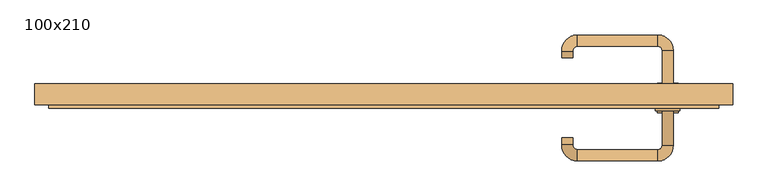
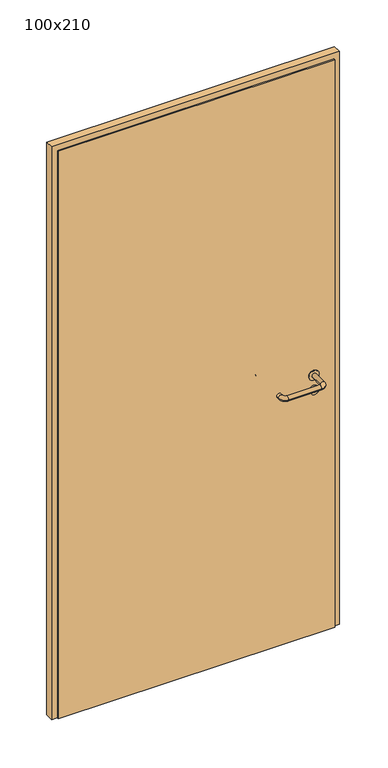
"""IFC4 building model written with IfcOpenShell, lengths in millimetres: door geometry, 100x210."""

from ifc_helpers import new_model, si_unit, point, frame, frame_2d, origin, origin_with_axes, place, context, project, spatial, polyline, circle_curve, ellipse_curve, trimmed, segment, composite_curve, outline, extrude, source, transform, mapped, element, save
from ifc_brep_helpers import plane_surface, cylinder_surface, revolved_surface, advanced_brep


def door_100x210_5816a896(model_context):
    return source(origin(), model_context, "Body", "SolidModel", [
        extrude(outline(composite_curve([segment(trimmed(circle_curve(frame_2d((897.3605726, 407.0)), 15.0), [point((897.3605726, 422.0))], [point((897.3605726, 392.0))], False, "CARTESIAN"), True, "CONTINUOUS"), segment(trimmed(circle_curve(frame_2d((897.3605726, 407.0)), 15.0), [point((897.3605726, 392.0))], [point((897.3605726, 422.0))], False, "CARTESIAN"), True, "CONTINUOUS")], self_intersect=False), holes=[composite_curve([segment(trimmed(circle_curve(frame_2d((892.5833211, 406.9398032)), 2.0), [point((892.5833211, 408.9398032))], [point((892.5833211, 404.9398032))], True, "CARTESIAN"), True, "CONTINUOUS"), segment(polyline([(892.5833211, 404.9398032), (902.5833211, 404.9398032)]), True, "CONTINUOUS"), segment(trimmed(circle_curve(frame_2d((902.5833211, 406.9398032)), 2.0), [point((902.5833211, 404.9398032))], [point((902.5833211, 408.9398032))], True, "CARTESIAN"), True, "CONTINUOUS"), segment(polyline([(902.5833211, 408.9398032), (892.5833211, 408.9398032)]), True, "CONTINUOUS")], self_intersect=False)]), frame((0.0, -16.35, 0.0), z_axis=(0.0, 1.0, 0.0), x_axis=(0.0, 0.0, 1.0)), (0.0, 0.0, 1.0), 6.35),
        extrude(outline(composite_curve([segment(trimmed(circle_curve(frame_2d((950.0, 407.0)), 17.526), [point((950.0, 424.526))], [point((950.0, 389.474))], False, "CARTESIAN"), True, "CONTINUOUS"), segment(trimmed(circle_curve(frame_2d((950.0, 407.0)), 17.526), [point((950.0, 389.474))], [point((950.0, 424.526))], False, "CARTESIAN"), True, "CONTINUOUS")], self_intersect=False)), frame((0.0, -13.175, 0.0), z_axis=(0.0, 1.0, 0.0), x_axis=(0.0, 0.0, 1.0)), (0.0, 0.0, 1.0), 3.175),
        advanced_brep(
        [(415.0, -10.0, 950.0), (399.0, -10.0, 950.0), (399.0, -63.0, 950.0), (415.0, -63.0, 950.0), (392.8578644, -69.1421356, 950.0), (392.8578644, -85.1421356, 950.0), (277.8578644, -69.1421356, 950.0), (277.8578644, -85.1421356, 950.0), (271.008622, -62.2928932, 950.0), (255.008622, -62.2928932, 950.0), (255.008622, -52.2928932, 950.0), (271.008622, -52.2928932, 950.0)],
        [
            (0, 1, circle_curve(frame((407.0, -10.0, 950.0), z_axis=(0.0, 1.0, 0.0), x_axis=(-1.0, 0.0, 0.0)), 8.0)),
            (1, 0, circle_curve(frame((407.0, -10.0, 950.0), z_axis=(0.0, 1.0, 0.0), x_axis=(-1.0, 0.0, 0.0)), 8.0)),
            (1, 2),
            (2, 3, circle_curve(frame((407.0, -63.0, 950.0), z_axis=(0.0, 1.0, 0.0), x_axis=(-1.0, 0.0, 0.0)), 8.0)),
            (3, 0),
            (3, 2, circle_curve(frame((407.0, -63.0, 950.0), z_axis=(0.0, 1.0, 0.0), x_axis=(-1.0, 0.0, 0.0)), 8.0)),
            (4, 5, circle_curve(frame((392.8578644, -77.1421356, 950.0), z_axis=(1.0, 0.0, 0.0), x_axis=(0.0, 1.0, 0.0)), 8.0)),
            (5, 3, circle_curve(frame((392.8578644, -63.0, 950.0), z_axis=(0.0, 0.0, 1.0), x_axis=(1.0, 0.0, 0.0)), 22.1421356)),
            (2, 4, circle_curve(frame((392.8578644, -63.0, 950.0), z_axis=(0.0, 0.0, -1.0), x_axis=(1.0, 0.0, 0.0)), 6.1421356)),
            (5, 4, circle_curve(frame((392.8578644, -77.1421356, 950.0), z_axis=(1.0, 0.0, 0.0), x_axis=(0.0, 1.0, 0.0)), 8.0)),
            (4, 6),
            (6, 7, circle_curve(frame((277.8578644, -77.1421356, 950.0), z_axis=(1.0, 0.0, 0.0), x_axis=(0.0, 1.0, 0.0)), 8.0)),
            (7, 5),
            (7, 6, circle_curve(frame((277.8578644, -77.1421356, 950.0), z_axis=(1.0, 0.0, 0.0), x_axis=(0.0, 1.0, 0.0)), 8.0)),
            (8, 9, circle_curve(frame((263.008622, -62.2928932, 950.0), z_axis=(0.0, -1.0, 0.0), x_axis=(1.0, 0.0, 0.0)), 8.0)),
            (9, 7, circle_curve(frame((277.8578644, -62.2928932, 950.0), z_axis=(0.0, 0.0, 1.0), x_axis=(0.0, -1.0, 0.0)), 22.8492424)),
            (6, 8, circle_curve(frame((277.8578644, -62.2928932, 950.0), z_axis=(0.0, 0.0, -1.0), x_axis=(0.0, -1.0, 0.0)), 6.8492424)),
            (9, 8, circle_curve(frame((263.008622, -62.2928932, 950.0), z_axis=(0.0, -1.0, 0.0), x_axis=(1.0, 0.0, 0.0)), 8.0)),
            (10, 11, circle_curve(frame((263.008622, -52.2928932, 950.0), z_axis=(0.0, 1.0, 0.0), x_axis=(1.0, 0.0, 0.0)), 8.0)),
            (11, 10, circle_curve(frame((263.008622, -52.2928932, 950.0), z_axis=(0.0, 1.0, 0.0), x_axis=(1.0, 0.0, 0.0)), 8.0)),
            (8, 11),
            (10, 9),
        ],
        [
            plane_surface(frame((407.0, -10.0, 0.0), z_axis=(0.0, 1.0, 0.0), x_axis=(0.0, 0.0, 1.0))),
            cylinder_surface(frame((407.0, -10.0, 950.0), z_axis=(0.0, 1.0, 0.0), x_axis=(-1.0, 0.0, 0.0)), 8.0),
            revolved_surface(trimmed(ellipse_curve(frame((407.0, -63.0, 950.0), z_axis=(0.0, -1.0, 0.0), x_axis=(-1.0, 0.0, 0.0)), 8.0, 8.0), [point((415.0, -63.0, 950.0))], [point((399.0, -63.0, 950.0))], True, "CARTESIAN"), (392.8578644, -63.0, 0.0), (0.0, 0.0, 1.0)),
            revolved_surface(trimmed(ellipse_curve(frame((407.0, -63.0, 950.0), z_axis=(0.0, -1.0, 0.0), x_axis=(-1.0, 0.0, 0.0)), 8.0, 8.0), [point((399.0, -63.0, 950.0))], [point((415.0, -63.0, 950.0))], True, "CARTESIAN"), (392.8578644, -63.0, 0.0), (0.0, 0.0, 1.0)),
            cylinder_surface(frame((392.8578644, -77.1421356, 950.0), z_axis=(1.0, 0.0, 0.0), x_axis=(0.0, 1.0, 0.0)), 8.0),
            revolved_surface(trimmed(ellipse_curve(frame((277.8578644, -77.1421356, 950.0), z_axis=(-1.0, 0.0, 0.0), x_axis=(0.0, 1.0, 0.0)), 8.0, 8.0), [point((277.8578644, -85.1421356, 950.0))], [point((277.8578644, -69.1421356, 950.0))], True, "CARTESIAN"), (277.8578644, -62.2928932, 0.0), (0.0, 0.0, 1.0)),
            revolved_surface(trimmed(ellipse_curve(frame((277.8578644, -77.1421356, 950.0), z_axis=(-1.0, 0.0, 0.0), x_axis=(0.0, 1.0, 0.0)), 8.0, 8.0), [point((277.8578644, -69.1421356, 950.0))], [point((277.8578644, -85.1421356, 950.0))], True, "CARTESIAN"), (277.8578644, -62.2928932, 0.0), (0.0, 0.0, 1.0)),
            plane_surface(frame((263.008622, -52.2928932, 0.0), z_axis=(0.0, 1.0, 0.0), x_axis=(0.0, 0.0, 1.0))),
            cylinder_surface(frame((263.008622, -62.2928932, 950.0), z_axis=(0.0, -1.0, 0.0), x_axis=(1.0, 0.0, 0.0)), 8.0),
        ],
        [
            (0, [[1, 2]]),
            (1, [[3, 4, 5, -2]]),
            (1, [[-5, 6, -3, -1]]),
            (2, [[7, 8, -4, 9]]),
            (3, [[10, -9, -6, -8]]),
            (4, [[11, 12, 13, -7]]),
            (4, [[-13, 14, -11, -10]]),
            (5, [[15, 16, -12, 17]]),
            (6, [[18, -17, -14, -16]]),
            (7, [[19, 20]]),
            (8, [[21, -19, 22, -15]]),
            (8, [[-22, -20, -21, -18]]),
        ],
    ),
        extrude(outline(composite_curve([segment(trimmed(circle_curve(frame_2d((0.0, -15.0)), 15.0), [point((0.0, -30.0))], [point((0.0, 0.0))], False, "CARTESIAN"), True, "CONTINUOUS"), segment(trimmed(circle_curve(frame_2d((0.0, -15.0)), 15.0), [point((0.0, 0.0))], [point((0.0, -30.0))], False, "CARTESIAN"), True, "CONTINUOUS")], self_intersect=False), holes=[composite_curve([segment(trimmed(circle_curve(frame_2d((4.7772515, -14.9398032)), 2.0), [point((4.7772515, -16.9398032))], [point((4.7772515, -12.9398032))], True, "CARTESIAN"), True, "CONTINUOUS"), segment(polyline([(4.7772515, -12.9398032), (-5.2227485, -12.9398032)]), True, "CONTINUOUS"), segment(trimmed(circle_curve(frame_2d((-5.2227485, -14.9398032)), 2.0), [point((-5.2227485, -12.9398032))], [point((-5.2227485, -16.9398032))], True, "CARTESIAN"), True, "CONTINUOUS"), segment(polyline([(-5.2227485, -16.9398032), (4.7772515, -16.9398032)]), True, "CONTINUOUS")], self_intersect=False)]), frame((392.0, 20.0, 897.3605726), z_axis=(1.8870575173328306e-12, 1.0, 0.0), x_axis=(0.0, 0.0, -1.0)), (0.0, 0.0, 1.0), 6.35),
        extrude(outline(composite_curve([segment(trimmed(circle_curve(frame_2d((0.0, -17.526)), 17.526), [point((0.0, -35.052))], [point((0.0, 0.0))], False, "CARTESIAN"), True, "CONTINUOUS"), segment(trimmed(circle_curve(frame_2d((0.0, -17.526)), 17.526), [point((0.0, 0.0))], [point((0.0, -35.052))], False, "CARTESIAN"), True, "CONTINUOUS")], self_intersect=False)), frame((389.474, 20.0, 950.0), z_axis=(1.8870575173328306e-12, 1.0, 0.0), x_axis=(0.0, 0.0, -1.0)), (0.0, 0.0, 1.0), 3.175),
        advanced_brep(
        [(415.0, 20.0, 950.0), (399.0, 20.0, 950.0), (415.0, 73.0, 950.0), (399.0, 73.0, 950.0), (392.8578644, 79.1421356, 950.0), (392.8578644, 95.1421356, 950.0), (277.8578644, 95.1421356, 950.0), (277.8578644, 79.1421356, 950.0), (271.008622, 72.2928932, 950.0), (255.008622, 72.2928932, 950.0), (255.008622, 62.2928932, 950.0), (271.008622, 62.2928932, 950.0)],
        [
            (0, 1, circle_curve(frame((407.0, 20.0, 950.0), z_axis=(-1.888672253512351e-12, -1.0, 0.0), x_axis=(-1.0, 1.888672253512351e-12, 0.0)), 8.0)),
            (1, 0, circle_curve(frame((407.0, 20.0, 950.0), z_axis=(-1.888672253512351e-12, -1.0, 0.0), x_axis=(-1.0, 1.888672253512351e-12, 0.0)), 8.0)),
            (0, 2),
            (2, 3, circle_curve(frame((407.0, 73.0, 950.0), z_axis=(-1.888672253512351e-12, -1.0, 0.0), x_axis=(-1.0, 1.888672253512351e-12, 0.0)), 8.0)),
            (3, 1),
            (3, 2, circle_curve(frame((407.0, 73.0, 950.0), z_axis=(-1.888672253512351e-12, -1.0, 0.0), x_axis=(-1.0, 1.888672253512351e-12, 0.0)), 8.0)),
            (4, 3, circle_curve(frame((392.8578644, 73.0, 950.0), z_axis=(0.0, 0.0, -1.0), x_axis=(1.0, -1.880717803715015e-12, 0.0)), 6.1421356)),
            (2, 5, circle_curve(frame((392.8578644, 73.0, 950.0), z_axis=(0.0, 0.0, 1.0), x_axis=(1.0, -1.880717803715015e-12, 0.0)), 22.1421356)),
            (5, 4, circle_curve(frame((392.8578644, 87.1421356, 950.0), z_axis=(1.0, -1.913702061528922e-12, 0.0), x_axis=(-1.913702061528922e-12, -1.0, 0.0)), 8.0)),
            (4, 5, circle_curve(frame((392.8578644, 87.1421356, 950.0), z_axis=(1.0, -1.913702061528922e-12, 0.0), x_axis=(-1.913702061528922e-12, -1.0, 0.0)), 8.0)),
            (5, 6),
            (6, 7, circle_curve(frame((277.8578644, 87.1421356, 950.0), z_axis=(1.0, -1.913719828541269e-12, 0.0), x_axis=(-1.913719828541269e-12, -1.0, 0.0)), 8.0)),
            (7, 4),
            (7, 6, circle_curve(frame((277.8578644, 87.1421356, 950.0), z_axis=(1.0, -1.913719828541269e-12, 0.0), x_axis=(-1.913719828541269e-12, -1.0, 0.0)), 8.0)),
            (8, 7, circle_curve(frame((277.8578644, 72.2928932, 950.0), z_axis=(0.0, 0.0, -1.0), x_axis=(1.9120873253494017e-12, 1.0, 0.0)), 6.8492424)),
            (6, 9, circle_curve(frame((277.8578644, 72.2928932, 950.0), z_axis=(0.0, 0.0, 1.0), x_axis=(1.9120873253494017e-12, 1.0, 0.0)), 22.8492424)),
            (9, 8, circle_curve(frame((263.008622, 72.2928932, 950.0), z_axis=(1.890448610351751e-12, 1.0, 0.0), x_axis=(1.0, -1.890448610351751e-12, 0.0)), 8.0)),
            (8, 9, circle_curve(frame((263.008622, 72.2928932, 950.0), z_axis=(1.8888942981172756e-12, 1.0, 0.0), x_axis=(1.0, -1.8888942981172756e-12, 0.0)), 8.0)),
            (10, 11, circle_curve(frame((263.008622, 62.2928932, 950.0), z_axis=(-1.8903642334018795e-12, -1.0, 0.0), x_axis=(1.0, -1.8903642334018795e-12, 0.0)), 8.0)),
            (11, 10, circle_curve(frame((263.008622, 62.2928932, 950.0), z_axis=(-1.8903642334018795e-12, -1.0, 0.0), x_axis=(1.0, -1.8903642334018795e-12, 0.0)), 8.0)),
            (9, 10),
            (11, 8),
        ],
        [
            plane_surface(frame((407.0, 20.0, 0.0), z_axis=(-1.8870575173328306e-12, -1.0, 0.0), x_axis=(0.0, 0.0, 1.0))),
            cylinder_surface(frame((407.0, 20.0, 950.0), z_axis=(-1.888672253512351e-12, -1.0, 0.0), x_axis=(-1.0, 1.888672253512351e-12, 0.0)), 8.0),
            revolved_surface(trimmed(ellipse_curve(frame((407.0, 73.0, 950.0), z_axis=(-1.8823325398945356e-12, -1.0, 0.0), x_axis=(-1.0, 1.8823325398945356e-12, 0.0)), 8.0, 8.0), [point((415.0, 73.0, 950.0))], [point((399.0, 73.0, 950.0))], True, "CARTESIAN"), (392.8578644, 73.0, 0.0), (0.0, 0.0, 1.0)),
            revolved_surface(trimmed(ellipse_curve(frame((407.0, 73.0, 950.0), z_axis=(-1.8823325398945356e-12, -1.0, 0.0), x_axis=(-1.0, 1.8823325398945356e-12, 0.0)), 8.0, 8.0), [point((399.0, 73.0, 950.0))], [point((415.0, 73.0, 950.0))], True, "CARTESIAN"), (392.8578644, 73.0, 0.0), (0.0, 0.0, 1.0)),
            cylinder_surface(frame((392.8578644, 87.1421356, 950.0), z_axis=(1.0, -1.913719828541269e-12, 0.0), x_axis=(-1.913719828541269e-12, -1.0, 0.0)), 8.0),
            revolved_surface(trimmed(ellipse_curve(frame((277.8578644, 87.1421356, 950.0), z_axis=(1.0, -1.913702061528922e-12, 0.0), x_axis=(-1.913702061528922e-12, -1.0, 0.0)), 8.0, 8.0), [point((277.8578644, 95.1421356, 950.0))], [point((277.8578644, 79.1421356, 950.0))], True, "CARTESIAN"), (277.8578644, 72.2928932, 0.0), (0.0, 0.0, 1.0)),
            revolved_surface(trimmed(ellipse_curve(frame((277.8578644, 87.1421356, 950.0), z_axis=(1.0, -1.913702061528922e-12, 0.0), x_axis=(-1.913702061528922e-12, -1.0, 0.0)), 8.0, 8.0), [point((277.8578644, 79.1421356, 950.0))], [point((277.8578644, 95.1421356, 950.0))], True, "CARTESIAN"), (277.8578644, 72.2928932, 0.0), (0.0, 0.0, 1.0)),
            plane_surface(frame((263.008622, 62.2928932, 0.0), z_axis=(-1.8887494972223595e-12, -1.0, 0.0), x_axis=(0.0, 0.0, 1.0))),
            cylinder_surface(frame((263.008622, 72.2928932, 950.0), z_axis=(1.8903642334018795e-12, 1.0, 0.0), x_axis=(1.0, -1.8903642334018795e-12, 0.0)), 8.0),
        ],
        [
            (0, [[1, 2]]),
            (1, [[-1, 3, 4, 5]]),
            (1, [[-2, -5, 6, -3]]),
            (2, [[7, -4, 8, 9]]),
            (3, [[-8, -6, -7, 10]]),
            (4, [[-9, 11, 12, 13]]),
            (4, [[-10, -13, 14, -11]]),
            (5, [[15, -12, 16, 17]]),
            (6, [[-16, -14, -15, 18]]),
            (7, [[19, 20]]),
            (8, [[-17, 21, -20, 22]]),
            (8, [[-18, -22, -19, -21]]),
        ],
    ),
        extrude(outline(polyline([(2080.0, 480.0), (0.0, 480.0), (0.0, 500.0), (2100.0, 500.0), (2100.0, -500.0), (0.0, -500.0), (0.0, -480.0), (2080.0, -480.0), (2080.0, 480.0)])), frame((0.0, -5.0, 0.0), z_axis=(0.0, 1.0, 0.0), x_axis=(0.0, 0.0, 1.0)), (0.0, 0.0, 1.0), 30.0),
        extrude(outline(polyline([(-480.0, 20.0), (480.0, 20.0), (480.0, -10.0), (-480.0, -10.0), (-480.0, 20.0)])), origin_with_axes(), (0.0, 0.0, 1.0), 2080.0),
    ])


if __name__ == "__main__":
    model = new_model("IFC4")
    model_context = context("Model", 3, world=origin())
    ifc_project = project(units=[si_unit("LENGTHUNIT", "METRE", prefix="MILLI")], contexts=[model_context])
    site = spatial("IfcSite", under=ifc_project)
    building = spatial("IfcBuilding", under=site)
    placement = place(None, origin())
    door_100x210_shape = door_100x210_5816a896(model_context)
    element("IfcDoor", 1, ObjectType="100x210", at=placement, inside=building, context=model_context, shape_type="MappedRepresentation", body=[
        mapped(door_100x210_shape, transform((0.0, 0.0, 0.0), x_axis=(1.0, 0.0, 0.0), y_axis=(0.0, 1.0, 0.0), z_axis=(0.0, 0.0, 1.0))),
    ])
    save(model, "model.ifc")
